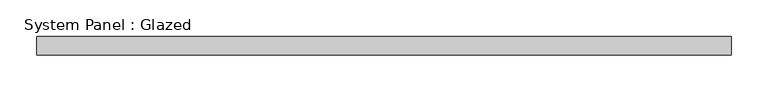
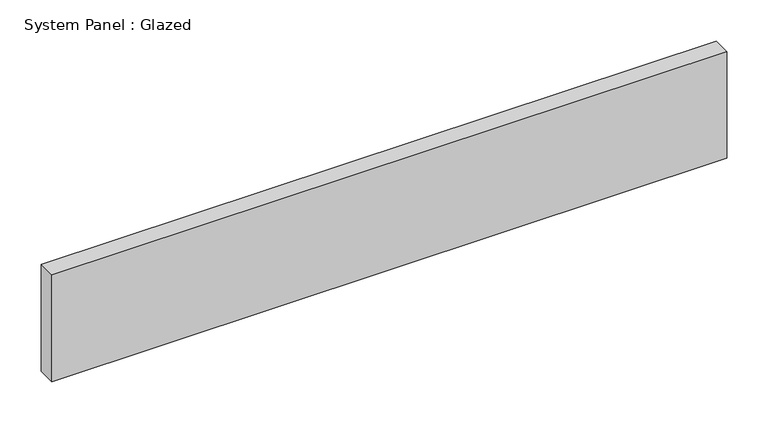
"""IFC4 building model written with IfcOpenShell, lengths in millimetres: plate geometry, System Panel : Glazed."""

from ifc_helpers import new_model, si_unit, origin, origin_with_axes, place, context, project, spatial, polyline, outline, extrude, source, transform, mapped, element, save


def system_panel_glazed_960378d3(model_context):
    return source(origin(), model_context, "Body", "SweptSolid", [
        extrude(outline(polyline([(472.7575, -12.7), (-472.7575, -12.7), (-472.7575, 12.7), (472.7575, 12.7), (472.7575, -12.7)])), origin_with_axes(), (0.0, 0.0, 1.0), 158.25),
    ])


if __name__ == "__main__":
    model = new_model("IFC4")
    model_context = context("Model", 3, world=origin())
    ifc_project = project(units=[si_unit("LENGTHUNIT", "METRE", prefix="MILLI")], contexts=[model_context])
    site = spatial("IfcSite", under=ifc_project)
    building = spatial("IfcBuilding", under=site)
    placement = place(None, origin())
    system_panel_glazed_shape = system_panel_glazed_960378d3(model_context)
    element("IfcPlate", 1, ObjectType="System Panel : Glazed", at=placement, inside=building, context=model_context, shape_type="MappedRepresentation", body=[
        mapped(system_panel_glazed_shape, transform((0.0, 0.0, 0.0), x_axis=(1.0, 0.0, 0.0), y_axis=(0.0, 1.0, 0.0), z_axis=(0.0, 0.0, 1.0))),
    ])
    save(model, "model.ifc")
